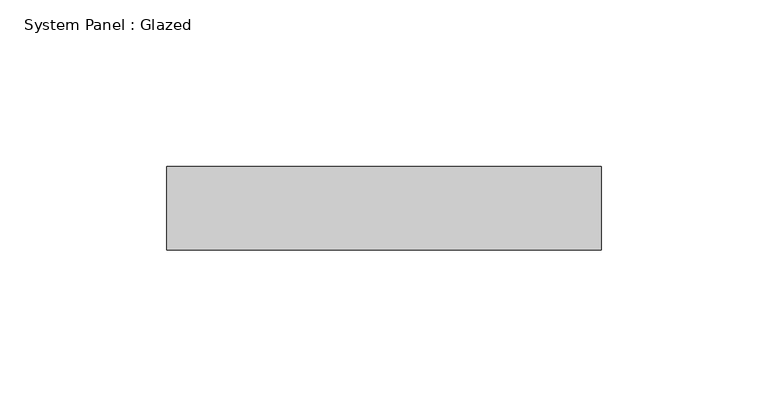
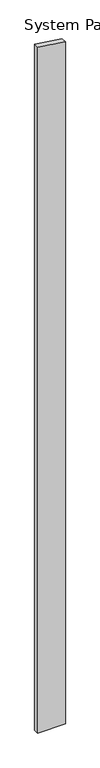
"""IFC4 building model written with IfcOpenShell, lengths in millimetres: plate geometry, System Panel : Glazed."""

from ifc_helpers import new_model, si_unit, frame, origin, place, context, project, spatial, polyline, outline, extrude, source, transform, mapped, element, save


def system_panel_glazed_636243f8(model_context):
    return source(origin(), model_context, "Body", "SweptSolid", [
        extrude(outline(polyline([(0.0, -65.0), (0.0, 65.0), (3400.7761448, 65.0), (3420.028463, -65.0), (0.0, -65.0)])), frame((0.0, 24.5, 0.0), z_axis=(0.0, 1.0, 0.0), x_axis=(0.0, 0.0, 1.0)), (0.0, 0.0, 1.0), 25.0),
    ])


if __name__ == "__main__":
    model = new_model("IFC4")
    model_context = context("Model", 3, world=origin())
    ifc_project = project(units=[si_unit("LENGTHUNIT", "METRE", prefix="MILLI")], contexts=[model_context])
    site = spatial("IfcSite", under=ifc_project)
    building = spatial("IfcBuilding", under=site)
    placement = place(None, origin())
    system_panel_glazed_shape = system_panel_glazed_636243f8(model_context)
    element("IfcPlate", 1, ObjectType="System Panel : Glazed", at=placement, inside=building, context=model_context, shape_type="MappedRepresentation", body=[
        mapped(system_panel_glazed_shape, transform((0.0, 0.0, 0.0), x_axis=(1.0, 0.0, 0.0), y_axis=(0.0, 1.0, 0.0), z_axis=(0.0, 0.0, 1.0))),
    ])
    save(model, "model.ifc")
